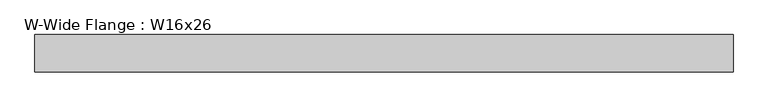
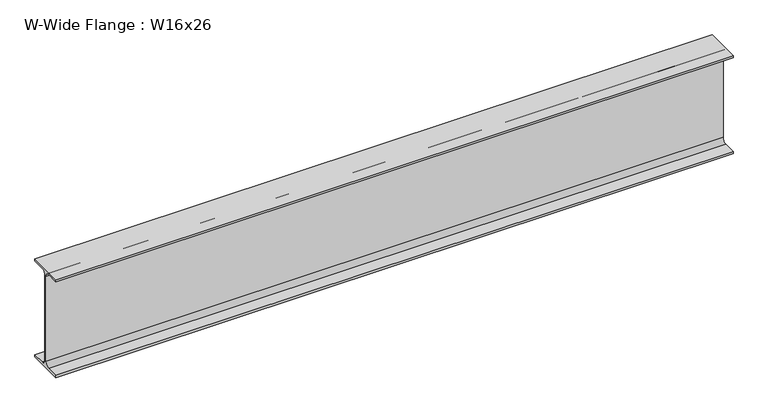
"""IFC4 building model written with IfcOpenShell, lengths in millimetres: beam geometry, W-Wide Flange : W16x26."""

import ifcopenshell
import ifcopenshell.guid

model = None  # the IFC model being written
_history = None  # IfcOwnerHistory: only IFC2X3 demands one
_inside = {}  # id of a spatial element -> (the spatial element, [elements in it])
_under = {}  # id of a project, library or spatial element -> (it, [spatial elements below it])
_declared = {}  # id of a project -> (the project, [libraries it declares])
_typed = {}  # id of a type object -> (the type object, [elements of that type])
_made_of = {}  # id of a material, layer set ... -> (it, [elements and type objects made of it])


def new_model(schema):
    """Start an empty IFC model of exactly this schema.

    Asked for "IFC4X3", IfcOpenShell would pick the latest addendum, in which some entities
    have other attributes; the version numbers below select the first issue.
    IFC2X3 requires an IfcOwnerHistory on every rooted entity: one is made here for all.
    """
    global model, _history
    if schema == "IFC4X3":
        model = ifcopenshell.file(schema_version=(4, 3, 0, 0))
    else:
        model = ifcopenshell.file(schema=schema)
    _inside.clear()
    _under.clear()
    _declared.clear()
    _typed.clear()
    _made_of.clear()
    _history = None
    if model.schema == "IFC2X3":
        org = make("IfcOrganization", Name="unknown")
        user = make(
            "IfcPersonAndOrganization",
            ThePerson=make("IfcPerson", FamilyName="unknown"),
            TheOrganization=org,
        )
        app = make(
            "IfcApplication",
            ApplicationDeveloper=org,
            Version="unknown",
            ApplicationFullName="unknown",
            ApplicationIdentifier="unknown",
        )
        _history = make(
            "IfcOwnerHistory",
            OwningUser=user,
            OwningApplication=app,
            ChangeAction="ADDED",
            CreationDate=0,
        )
    return model


def make(cls, **values):
    """One entity of the class cls with the attributes given. An attribute that is None is left unset."""
    return model.create_entity(
        cls, **{name: value for name, value in values.items() if value is not None}
    )


def rooted(cls, **values):
    """An entity with a GlobalId (a new one), such as an element, a storey or a relation."""
    return make(cls, GlobalId=ifcopenshell.guid.new(), OwnerHistory=_history, **values)


def si_unit(unit_type, name, prefix=None):
    """IfcSIUnit, for example si_unit("LENGTHUNIT", "METRE", prefix="MILLI")."""
    return make("IfcSIUnit", UnitType=unit_type, Prefix=prefix, Name=name)


def assignment(units):
    """IfcUnitAssignment: the units of a project."""
    return None if units is None else make("IfcUnitAssignment", Units=units)


def point(xyz):
    """IfcCartesianPoint."""
    return None if xyz is None else make("IfcCartesianPoint", Coordinates=xyz)


def direction(xyz):
    """IfcDirection."""
    return None if xyz is None else make("IfcDirection", DirectionRatios=xyz)


def frame(location, z_axis=None, x_axis=None):
    """IfcAxis2Placement3D, a coordinate frame: its origin and axes. An axis left out is left unset."""
    return make(
        "IfcAxis2Placement3D",
        Location=point(location),
        Axis=direction(z_axis),
        RefDirection=direction(x_axis),
    )


def frame_2d(location, x_axis=None):
    """IfcAxis2Placement2D, a coordinate frame in the plane: its origin and x axis."""
    return make(
        "IfcAxis2Placement2D", Location=point(location), RefDirection=direction(x_axis)
    )


def origin():
    """The frame at (0, 0, 0) with its axes left unset."""
    return frame((0.0, 0.0, 0.0))


def place(relative_to, where):
    """IfcLocalPlacement: puts the frame where relative to a parent placement (None: the world)."""
    return make(
        "IfcLocalPlacement", PlacementRelTo=relative_to, RelativePlacement=where
    )


def context(
    kind, dimensions, precision=None, world=None, true_north=None, identifier=None
):
    """IfcGeometricRepresentationContext, for example the 3D "Model" context."""
    return make(
        "IfcGeometricRepresentationContext",
        ContextIdentifier=identifier,
        ContextType=kind,
        CoordinateSpaceDimension=dimensions,
        Precision=precision,
        WorldCoordinateSystem=world,
        TrueNorth=true_north,
    )


def project(units=None, contexts=None):
    """IfcProject with its units and contexts."""
    return rooted(
        "IfcProject",
        Name="project",
        RepresentationContexts=contexts,
        UnitsInContext=assignment(units),
    )


def spatial(cls, under=None, at=None, **own):
    """A site, building, storey or space (cls), placed at a placement, below another one or the project."""
    s = rooted(cls, ObjectPlacement=at, **own)
    if under is not None:
        _under.setdefault(under.id(), (under, []))[1].append(s)
    return s


def polyline(points):
    """IfcPolyline through the points."""
    return make("IfcPolyline", Points=[point(p) for p in points])


def circle_curve(where, radius):
    """IfcCircle in the frame where."""
    return make("IfcCircle", Position=where, Radius=radius)


def trimmed(basis, trim1, trim2, sense, master):
    """IfcTrimmedCurve: the piece of a basis curve between two trims."""
    return make(
        "IfcTrimmedCurve",
        BasisCurve=basis,
        Trim1=trim1,
        Trim2=trim2,
        SenseAgreement=sense,
        MasterRepresentation=master,
    )


def segment(curve, same_sense, transition):
    """IfcCompositeCurveSegment."""
    return make(
        "IfcCompositeCurveSegment",
        Transition=transition,
        SameSense=same_sense,
        ParentCurve=curve,
    )


def composite_curve(segments, self_intersect=None):
    """IfcCompositeCurve: segments joined end to end."""
    return make("IfcCompositeCurve", Segments=segments, SelfIntersect=self_intersect)


def outline(outer, holes=None, kind="AREA"):
    """IfcArbitraryClosedProfileDef: a profile drawn as a closed curve; with holes, ...WithVoids."""
    if holes is None:
        return make("IfcArbitraryClosedProfileDef", ProfileType=kind, OuterCurve=outer)
    return make(
        "IfcArbitraryProfileDefWithVoids",
        ProfileType=kind,
        OuterCurve=outer,
        InnerCurves=holes,
    )


def extrude(swept, where, along, depth):
    """IfcExtrudedAreaSolid: the profile swept, set in the frame where, extruded along a direction by depth."""
    return make(
        "IfcExtrudedAreaSolid",
        SweptArea=swept,
        Position=where,
        ExtrudedDirection=direction(along),
        Depth=depth,
    )


def shape(context_of_items, identifier, shape_type, items):
    """IfcShapeRepresentation: the items that make up one representation, for example the "Body"."""
    return make(
        "IfcShapeRepresentation",
        ContextOfItems=context_of_items,
        RepresentationIdentifier=identifier,
        RepresentationType=shape_type,
        Items=items,
    )


def source(mapping_origin, context_of_items, identifier, shape_type, items):
    """IfcRepresentationMap: a shape defined once, which mapped items show again and again."""
    return make(
        "IfcRepresentationMap",
        MappingOrigin=mapping_origin,
        MappedRepresentation=shape(context_of_items, identifier, shape_type, items),
    )


def transform(
    local_origin,
    x_axis=None,
    y_axis=None,
    z_axis=None,
    scale=None,
    scale2=None,
    scale3=None,
    uniform=True,
):
    """IfcCartesianTransformationOperator3D, or its non-uniform kind. x_axis, y_axis, z_axis: its Axis1, 2, 3."""
    if uniform:
        return make(
            "IfcCartesianTransformationOperator3D",
            Axis1=direction(x_axis),
            Axis2=direction(y_axis),
            LocalOrigin=point(local_origin),
            Scale=scale,
            Axis3=direction(z_axis),
        )
    return make(
        "IfcCartesianTransformationOperator3DnonUniform",
        Axis1=direction(x_axis),
        Axis2=direction(y_axis),
        LocalOrigin=point(local_origin),
        Scale=scale,
        Axis3=direction(z_axis),
        Scale2=scale2,
        Scale3=scale3,
    )


def mapped(mapping_source, mapping_target):
    """IfcMappedItem: shows the shape of a source again, moved by a transform."""
    return make(
        "IfcMappedItem", MappingSource=mapping_source, MappingTarget=mapping_target
    )


def made_of(thing, what):
    """Note that an element or type object is made of a material, layer set ...; save() writes the relation."""
    if what is not None:
        _made_of.setdefault(what.id(), (what, []))[1].append(thing)
    return thing


def element(
    cls,
    number,
    at=None,
    inside=None,
    cuts=None,
    type_object=None,
    material=None,
    context=None,
    identifier="Body",
    shape_type=None,
    held_by="IfcProductDefinitionShape",
    body=None,
    shapes=None,
    **own,
):
    """One element of the class cls, such as IfcWall. Its Tag is "e" and its number.

    at: its placement. inside: the storey or other place that contains it. cuts: it is an
    opening in that element (IfcRelVoidsElement). A single representation is given by context,
    identifier, shape_type and body (its items); several are given by shapes. held_by: the class
    of the entity that holds the representations. save() writes the other relations.
    """
    e = rooted(cls, Tag="e%d" % number, ObjectPlacement=at, **own)
    if body is not None:
        shapes = [shape(context, identifier, shape_type, body)]
    if shapes is not None:
        e.Representation = make(held_by, Representations=shapes)
    if inside is not None:
        _inside.setdefault(inside.id(), (inside, []))[1].append(e)
    if cuts is not None:
        rooted(
            "IfcRelVoidsElement", RelatingBuildingElement=cuts, RelatedOpeningElement=e
        )
    if type_object is not None:
        _typed.setdefault(type_object.id(), (type_object, []))[1].append(e)
    return made_of(e, material)


def aggregate(whole, parts):
    """IfcRelAggregates: a whole, such as a stair, and the parts it consists of."""
    return rooted("IfcRelAggregates", RelatingObject=whole, RelatedObjects=parts)


def save(model, path):
    """Write the relations noted so far, then the file.

    IfcRelAggregates (storeys below a building ...), IfcRelContainedInSpatialStructure (elements
    in a storey), IfcRelDefinesByType, IfcRelAssociatesMaterial and IfcRelDeclares: one each for
    every whole, place, type object, material and project.
    """
    for whole, parts in _under.values():
        aggregate(whole, parts)
    for where, things in _inside.values():
        rooted(
            "IfcRelContainedInSpatialStructure",
            RelatedElements=things,
            RelatingStructure=where,
        )
    for kind, things in _typed.values():
        rooted("IfcRelDefinesByType", RelatedObjects=things, RelatingType=kind)
    for what, things in _made_of.values():
        rooted("IfcRelAssociatesMaterial", RelatedObjects=things, RelatingMaterial=what)
    for by, libraries in _declared.values():
        rooted("IfcRelDeclares", RelatingContext=by, RelatedDefinitions=libraries)
    model.write(path)


def w_wide_flange_w16x26_f1c5f5f4(model_context):
    return source(origin(), model_context, "Body", "SweptSolid", [
        extrude(outline(composite_curve([segment(polyline([(69.85, -190.627), (69.85, -199.39), (-69.85, -199.39), (-69.85, -190.627), (-21.3995, -190.627)]), True, "CONTINUOUS"), segment(trimmed(circle_curve(frame_2d((-21.3995, -172.4025)), 18.2245), [point((-21.3995, -190.627))], [point((-3.175, -172.4025))], True, "CARTESIAN"), True, "CONTINUOUS"), segment(polyline([(-3.175, -172.4025), (-3.175, 172.4025)]), True, "CONTINUOUS"), segment(trimmed(circle_curve(frame_2d((-21.3995, 172.4025)), 18.2245), [point((-3.175, 172.4025))], [point((-21.3995, 190.627))], True, "CARTESIAN"), True, "CONTINUOUS"), segment(polyline([(-21.3995, 190.627), (-69.85, 190.627), (-69.85, 199.39), (69.85, 199.39), (69.85, 190.627), (21.3995, 190.627)]), True, "CONTINUOUS"), segment(trimmed(circle_curve(frame_2d((21.3995, 172.4025)), 18.2245), [point((21.3995, 190.627))], [point((3.175, 172.4025))], True, "CARTESIAN"), True, "CONTINUOUS"), segment(polyline([(3.175, 172.4025), (3.175, -172.4025)]), True, "CONTINUOUS"), segment(trimmed(circle_curve(frame_2d((21.3995, -172.4025)), 18.2245), [point((3.175, -172.4025))], [point((21.3995, -190.627))], True, "CARTESIAN"), True, "CONTINUOUS"), segment(polyline([(21.3995, -190.627), (69.85, -190.627)]), True, "CONTINUOUS")], self_intersect=False)), frame((-1324.4885721, 0.0, 0.0), z_axis=(1.0, 0.0, 0.0), x_axis=(0.0, 1.0, 0.0)), (0.0, 0.0, 1.0), 2603.6573423),
    ])


if __name__ == "__main__":
    model = new_model("IFC4")
    model_context = context("Model", 3, world=origin())
    ifc_project = project(units=[si_unit("LENGTHUNIT", "METRE", prefix="MILLI")], contexts=[model_context])
    site = spatial("IfcSite", under=ifc_project)
    building = spatial("IfcBuilding", under=site)
    placement = place(None, origin())
    w_wide_flange_w16x26_shape = w_wide_flange_w16x26_f1c5f5f4(model_context)
    element("IfcBeam", 1, ObjectType="W-Wide Flange : W16x26", at=placement, inside=building, context=model_context, shape_type="MappedRepresentation", body=[
        mapped(w_wide_flange_w16x26_shape, transform((0.0, 0.0, 0.0), x_axis=(1.0, 0.0, 0.0), y_axis=(0.0, 1.0, 0.0), z_axis=(0.0, 0.0, 1.0))),
    ])
    save(model, "model.ifc")
